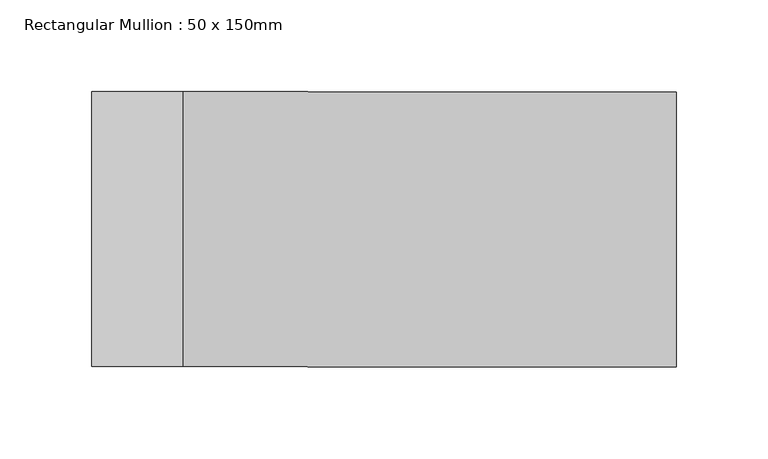
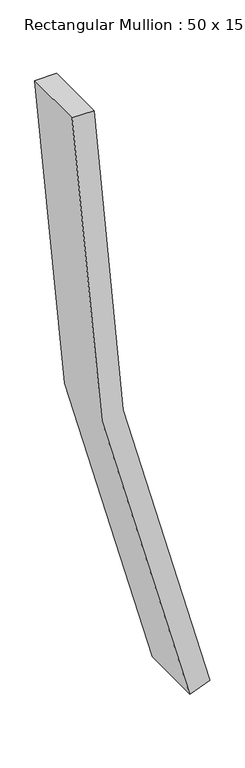
"""IFC4 building model written with IfcOpenShell, lengths in millimetres: member geometry, Rectangular Mullion : 50 x 150mm."""

from ifc_helpers import new_model, si_unit, point, frame, frame_2d, origin, place, context, project, spatial, polyline, circle_curve, trimmed, segment, composite_curve, outline, extrude, source, transform, mapped, element, save


def rectangular_mullion_50_x_150mm_07027e91(model_context):
    return source(origin(), model_context, "Body", "SweptSolid", [
        extrude(outline(composite_curve([segment(trimmed(circle_curve(frame_2d((0.0, 4238.8725831)), 4238.8725831), [point((-1484.8380057, 268.5707215))], [point((0.0, 0.0))], True, "CARTESIAN"), True, "CONTINUOUS"), segment(polyline([(0.0, 0.0), (0.0, -50.0)]), True, "CONTINUOUS"), segment(trimmed(circle_curve(frame_2d((0.0, 4238.8725831)), 4288.8725831), [point((0.0, -50.0))], [point((-1502.352545, 221.7386714))], False, "CARTESIAN"), True, "CONTINUOUS"), segment(polyline([(-1502.352545, 221.7386714), (-1484.8380057, 268.5707215)]), True, "CONTINUOUS")], self_intersect=False)), frame((0.0, -75.0, 0.0), z_axis=(0.0, 1.0, 0.0), x_axis=(0.0, 0.0, 1.0)), (0.0, 0.0, 1.0), 150.0),
    ])


if __name__ == "__main__":
    model = new_model("IFC4")
    model_context = context("Model", 3, world=origin())
    ifc_project = project(units=[si_unit("LENGTHUNIT", "METRE", prefix="MILLI")], contexts=[model_context])
    site = spatial("IfcSite", under=ifc_project)
    building = spatial("IfcBuilding", under=site)
    placement = place(None, origin())
    rectangular_mullion_50_x_150mm_shape = rectangular_mullion_50_x_150mm_07027e91(model_context)
    element("IfcMember", 1, ObjectType="Rectangular Mullion : 50 x 150mm", at=placement, inside=building, context=model_context, shape_type="MappedRepresentation", body=[
        mapped(rectangular_mullion_50_x_150mm_shape, transform((0.0, 0.0, 0.0), x_axis=(1.0, 0.0, 0.0), y_axis=(0.0, 1.0, 0.0), z_axis=(0.0, 0.0, 1.0))),
    ])
    save(model, "model.ifc")
